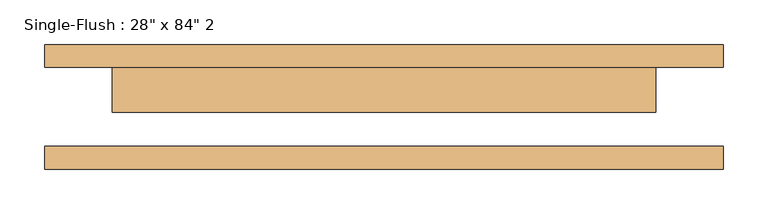
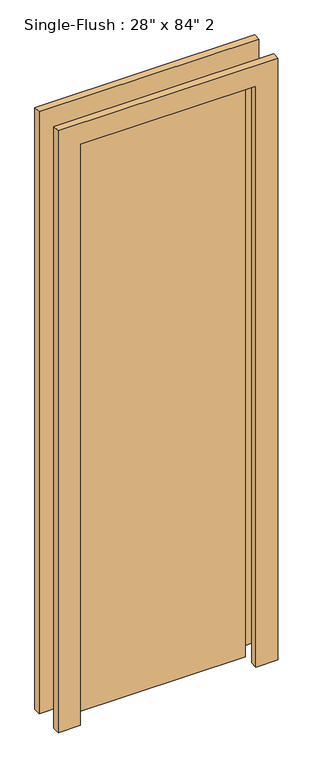
"""IFC4 building model written with IfcOpenShell, lengths in millimetres: door geometry."""

from ifc_helpers import new_model, si_unit, frame, origin, origin_with_axes, place, context, project, spatial, polyline, outline, extrude, source, transform, mapped, element, save


def door_8693a227(model_context):
    return source(origin(), model_context, "Body", "SweptSolid", [
        extrude(outline(polyline([(2209.8, -381.0), (0.0, -381.0), (0.0, -304.8), (2133.6, -304.8), (2133.6, 304.8), (0.0, 304.8), (0.0, 381.0), (2209.8, 381.0), (2209.8, -381.0)])), frame((0.0, 44.45, 0.0), z_axis=(0.0, 1.0, 0.0), x_axis=(0.0, 0.0, 1.0)), (0.0, 0.0, 1.0), 25.4),
        extrude(outline(polyline([(2209.8, 381.0), (2209.8, -381.0), (0.0, -381.0), (0.0, -304.8), (2133.6, -304.8), (2133.6, 304.8), (0.0, 304.8), (0.0, 381.0), (2209.8, 381.0)])), frame((0.0, -69.85, 0.0), z_axis=(0.0, 1.0, 0.0), x_axis=(0.0, 0.0, 1.0)), (0.0, 0.0, 1.0), 25.4),
        extrude(outline(polyline([(304.8, -6.35), (-304.8, -6.35), (-304.8, 44.45), (304.8, 44.45), (304.8, -6.35)])), origin_with_axes(), (0.0, 0.0, 1.0), 2133.6),
    ])


if __name__ == "__main__":
    model = new_model("IFC4")
    model_context = context("Model", 3, world=origin())
    ifc_project = project(units=[si_unit("LENGTHUNIT", "METRE", prefix="MILLI")], contexts=[model_context])
    site = spatial("IfcSite", under=ifc_project)
    building = spatial("IfcBuilding", under=site)
    placement = place(None, origin())
    door_shape = door_8693a227(model_context)
    element("IfcDoor", 1, ObjectType="Single-Flush : 28\" x 84\" 2", at=placement, inside=building, context=model_context, shape_type="MappedRepresentation", body=[
        mapped(door_shape, transform((0.0, 0.0, 0.0), x_axis=(1.0, 0.0, 0.0), y_axis=(0.0, 1.0, 0.0), z_axis=(0.0, 0.0, 1.0))),
    ])
    save(model, "model.ifc")
